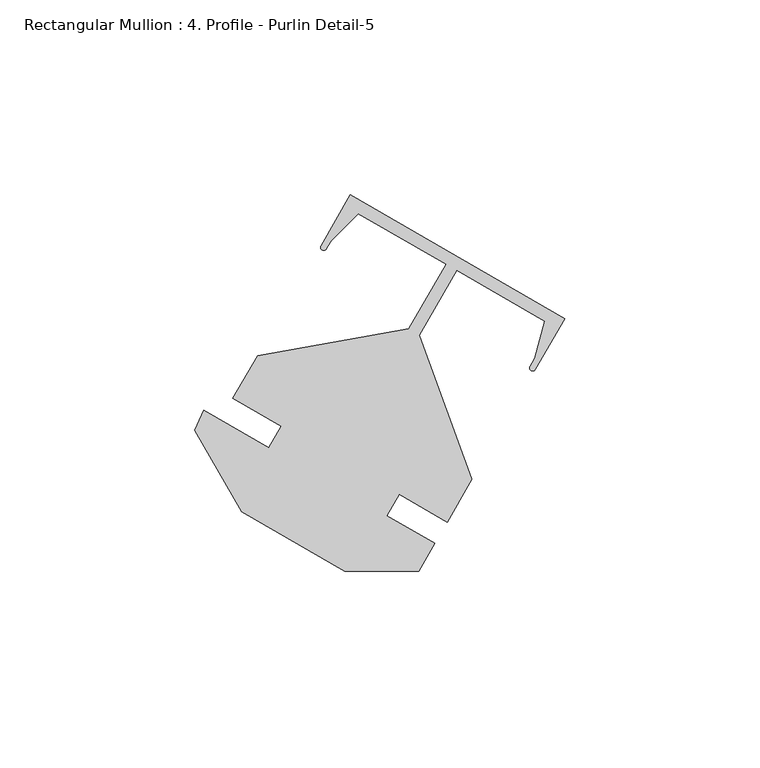
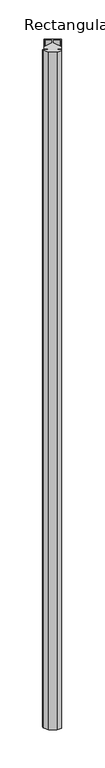
"""IFC4 building model written with IfcOpenShell, lengths in millimetres: member geometry, Rectangular Mullion : 4. Profile - Purlin Detail-5."""

import ifcopenshell
import ifcopenshell.guid

model = None  # the IFC model being written
_history = None  # IfcOwnerHistory: only IFC2X3 demands one
_inside = {}  # id of a spatial element -> (the spatial element, [elements in it])
_under = {}  # id of a project, library or spatial element -> (it, [spatial elements below it])
_declared = {}  # id of a project -> (the project, [libraries it declares])
_typed = {}  # id of a type object -> (the type object, [elements of that type])
_made_of = {}  # id of a material, layer set ... -> (it, [elements and type objects made of it])


def new_model(schema):
    """Start an empty IFC model of exactly this schema.

    Asked for "IFC4X3", IfcOpenShell would pick the latest addendum, in which some entities
    have other attributes; the version numbers below select the first issue.
    IFC2X3 requires an IfcOwnerHistory on every rooted entity: one is made here for all.
    """
    global model, _history
    if schema == "IFC4X3":
        model = ifcopenshell.file(schema_version=(4, 3, 0, 0))
    else:
        model = ifcopenshell.file(schema=schema)
    _inside.clear()
    _under.clear()
    _declared.clear()
    _typed.clear()
    _made_of.clear()
    _history = None
    if model.schema == "IFC2X3":
        org = make("IfcOrganization", Name="unknown")
        user = make(
            "IfcPersonAndOrganization",
            ThePerson=make("IfcPerson", FamilyName="unknown"),
            TheOrganization=org,
        )
        app = make(
            "IfcApplication",
            ApplicationDeveloper=org,
            Version="unknown",
            ApplicationFullName="unknown",
            ApplicationIdentifier="unknown",
        )
        _history = make(
            "IfcOwnerHistory",
            OwningUser=user,
            OwningApplication=app,
            ChangeAction="ADDED",
            CreationDate=0,
        )
    return model


def make(cls, **values):
    """One entity of the class cls with the attributes given. An attribute that is None is left unset."""
    return model.create_entity(
        cls, **{name: value for name, value in values.items() if value is not None}
    )


def rooted(cls, **values):
    """An entity with a GlobalId (a new one), such as an element, a storey or a relation."""
    return make(cls, GlobalId=ifcopenshell.guid.new(), OwnerHistory=_history, **values)


def si_unit(unit_type, name, prefix=None):
    """IfcSIUnit, for example si_unit("LENGTHUNIT", "METRE", prefix="MILLI")."""
    return make("IfcSIUnit", UnitType=unit_type, Prefix=prefix, Name=name)


def assignment(units):
    """IfcUnitAssignment: the units of a project."""
    return None if units is None else make("IfcUnitAssignment", Units=units)


def point(xyz):
    """IfcCartesianPoint."""
    return None if xyz is None else make("IfcCartesianPoint", Coordinates=xyz)


def direction(xyz):
    """IfcDirection."""
    return None if xyz is None else make("IfcDirection", DirectionRatios=xyz)


def frame(location, z_axis=None, x_axis=None):
    """IfcAxis2Placement3D, a coordinate frame: its origin and axes. An axis left out is left unset."""
    return make(
        "IfcAxis2Placement3D",
        Location=point(location),
        Axis=direction(z_axis),
        RefDirection=direction(x_axis),
    )


def frame_2d(location, x_axis=None):
    """IfcAxis2Placement2D, a coordinate frame in the plane: its origin and x axis."""
    return make(
        "IfcAxis2Placement2D", Location=point(location), RefDirection=direction(x_axis)
    )


def origin():
    """The frame at (0, 0, 0) with its axes left unset."""
    return frame((0.0, 0.0, 0.0))


def place(relative_to, where):
    """IfcLocalPlacement: puts the frame where relative to a parent placement (None: the world)."""
    return make(
        "IfcLocalPlacement", PlacementRelTo=relative_to, RelativePlacement=where
    )


def context(
    kind, dimensions, precision=None, world=None, true_north=None, identifier=None
):
    """IfcGeometricRepresentationContext, for example the 3D "Model" context."""
    return make(
        "IfcGeometricRepresentationContext",
        ContextIdentifier=identifier,
        ContextType=kind,
        CoordinateSpaceDimension=dimensions,
        Precision=precision,
        WorldCoordinateSystem=world,
        TrueNorth=true_north,
    )


def project(units=None, contexts=None):
    """IfcProject with its units and contexts."""
    return rooted(
        "IfcProject",
        Name="project",
        RepresentationContexts=contexts,
        UnitsInContext=assignment(units),
    )


def spatial(cls, under=None, at=None, **own):
    """A site, building, storey or space (cls), placed at a placement, below another one or the project."""
    s = rooted(cls, ObjectPlacement=at, **own)
    if under is not None:
        _under.setdefault(under.id(), (under, []))[1].append(s)
    return s


def polyline(points):
    """IfcPolyline through the points."""
    return make("IfcPolyline", Points=[point(p) for p in points])


def circle_curve(where, radius):
    """IfcCircle in the frame where."""
    return make("IfcCircle", Position=where, Radius=radius)


def trimmed(basis, trim1, trim2, sense, master):
    """IfcTrimmedCurve: the piece of a basis curve between two trims."""
    return make(
        "IfcTrimmedCurve",
        BasisCurve=basis,
        Trim1=trim1,
        Trim2=trim2,
        SenseAgreement=sense,
        MasterRepresentation=master,
    )


def segment(curve, same_sense, transition):
    """IfcCompositeCurveSegment."""
    return make(
        "IfcCompositeCurveSegment",
        Transition=transition,
        SameSense=same_sense,
        ParentCurve=curve,
    )


def composite_curve(segments, self_intersect=None):
    """IfcCompositeCurve: segments joined end to end."""
    return make("IfcCompositeCurve", Segments=segments, SelfIntersect=self_intersect)


def outline(outer, holes=None, kind="AREA"):
    """IfcArbitraryClosedProfileDef: a profile drawn as a closed curve; with holes, ...WithVoids."""
    if holes is None:
        return make("IfcArbitraryClosedProfileDef", ProfileType=kind, OuterCurve=outer)
    return make(
        "IfcArbitraryProfileDefWithVoids",
        ProfileType=kind,
        OuterCurve=outer,
        InnerCurves=holes,
    )


def extrude(swept, where, along, depth):
    """IfcExtrudedAreaSolid: the profile swept, set in the frame where, extruded along a direction by depth."""
    return make(
        "IfcExtrudedAreaSolid",
        SweptArea=swept,
        Position=where,
        ExtrudedDirection=direction(along),
        Depth=depth,
    )


def shape(context_of_items, identifier, shape_type, items):
    """IfcShapeRepresentation: the items that make up one representation, for example the "Body"."""
    return make(
        "IfcShapeRepresentation",
        ContextOfItems=context_of_items,
        RepresentationIdentifier=identifier,
        RepresentationType=shape_type,
        Items=items,
    )


def source(mapping_origin, context_of_items, identifier, shape_type, items):
    """IfcRepresentationMap: a shape defined once, which mapped items show again and again."""
    return make(
        "IfcRepresentationMap",
        MappingOrigin=mapping_origin,
        MappedRepresentation=shape(context_of_items, identifier, shape_type, items),
    )


def transform(
    local_origin,
    x_axis=None,
    y_axis=None,
    z_axis=None,
    scale=None,
    scale2=None,
    scale3=None,
    uniform=True,
):
    """IfcCartesianTransformationOperator3D, or its non-uniform kind. x_axis, y_axis, z_axis: its Axis1, 2, 3."""
    if uniform:
        return make(
            "IfcCartesianTransformationOperator3D",
            Axis1=direction(x_axis),
            Axis2=direction(y_axis),
            LocalOrigin=point(local_origin),
            Scale=scale,
            Axis3=direction(z_axis),
        )
    return make(
        "IfcCartesianTransformationOperator3DnonUniform",
        Axis1=direction(x_axis),
        Axis2=direction(y_axis),
        LocalOrigin=point(local_origin),
        Scale=scale,
        Axis3=direction(z_axis),
        Scale2=scale2,
        Scale3=scale3,
    )


def mapped(mapping_source, mapping_target):
    """IfcMappedItem: shows the shape of a source again, moved by a transform."""
    return make(
        "IfcMappedItem", MappingSource=mapping_source, MappingTarget=mapping_target
    )


def made_of(thing, what):
    """Note that an element or type object is made of a material, layer set ...; save() writes the relation."""
    if what is not None:
        _made_of.setdefault(what.id(), (what, []))[1].append(thing)
    return thing


def element(
    cls,
    number,
    at=None,
    inside=None,
    cuts=None,
    type_object=None,
    material=None,
    context=None,
    identifier="Body",
    shape_type=None,
    held_by="IfcProductDefinitionShape",
    body=None,
    shapes=None,
    **own,
):
    """One element of the class cls, such as IfcWall. Its Tag is "e" and its number.

    at: its placement. inside: the storey or other place that contains it. cuts: it is an
    opening in that element (IfcRelVoidsElement). A single representation is given by context,
    identifier, shape_type and body (its items); several are given by shapes. held_by: the class
    of the entity that holds the representations. save() writes the other relations.
    """
    e = rooted(cls, Tag="e%d" % number, ObjectPlacement=at, **own)
    if body is not None:
        shapes = [shape(context, identifier, shape_type, body)]
    if shapes is not None:
        e.Representation = make(held_by, Representations=shapes)
    if inside is not None:
        _inside.setdefault(inside.id(), (inside, []))[1].append(e)
    if cuts is not None:
        rooted(
            "IfcRelVoidsElement", RelatingBuildingElement=cuts, RelatedOpeningElement=e
        )
    if type_object is not None:
        _typed.setdefault(type_object.id(), (type_object, []))[1].append(e)
    return made_of(e, material)


def aggregate(whole, parts):
    """IfcRelAggregates: a whole, such as a stair, and the parts it consists of."""
    return rooted("IfcRelAggregates", RelatingObject=whole, RelatedObjects=parts)


def save(model, path):
    """Write the relations noted so far, then the file.

    IfcRelAggregates (storeys below a building ...), IfcRelContainedInSpatialStructure (elements
    in a storey), IfcRelDefinesByType, IfcRelAssociatesMaterial and IfcRelDeclares: one each for
    every whole, place, type object, material and project.
    """
    for whole, parts in _under.values():
        aggregate(whole, parts)
    for where, things in _inside.values():
        rooted(
            "IfcRelContainedInSpatialStructure",
            RelatedElements=things,
            RelatingStructure=where,
        )
    for kind, things in _typed.values():
        rooted("IfcRelDefinesByType", RelatedObjects=things, RelatingType=kind)
    for what, things in _made_of.values():
        rooted("IfcRelAssociatesMaterial", RelatedObjects=things, RelatingMaterial=what)
    for by, libraries in _declared.values():
        rooted("IfcRelDeclares", RelatingContext=by, RelatedDefinitions=libraries)
    model.write(path)


def rectangular_mullion_4_profile_purlin_detail_5_386258da(model_context):
    return source(origin(), model_context, "Body", "SweptSolid", [
        extrude(outline(composite_curve([segment(polyline([(-82.9010536, -27.3163726), (-94.9462265, -6.4540219), (-92.6215787, -1.2327773), (-75.9503998, -10.857887), (-72.7817879, -5.3696902), (-85.1551258, 1.7740598), (-78.8051131, 12.7726044), (-40.0245791, 19.6106589), (-30.455677, 36.1844834), (-53.0060124, 49.2039256), (-59.9787963, 42.2311417), (-61.1725963, 40.1634194)]), True, "CONTINUOUS"), segment(trimmed(circle_curve(frame_2d((-61.8545047, 40.5571194)), 0.7874), [point((-61.1725963, 40.1634194))], [point((-62.5364131, 40.9508194))], False, "CARTESIAN"), True, "CONTINUOUS"), segment(polyline([(-62.5364131, 40.9508194), (-54.9926131, 54.0170643), (0.0, 22.2670643), (-7.5438, 9.2008194)]), True, "CONTINUOUS"), segment(trimmed(circle_curve(frame_2d((-8.2257084, 9.5945194)), 0.7874), [point((-7.5438, 9.2008194))], [point((-8.9076168, 9.9882194))], False, "CARTESIAN"), True, "CONTINUOUS"), segment(polyline([(-8.9076168, 9.9882194), (-7.7138168, 12.0559417), (-5.1616007, 21.5809417), (-27.7060464, 34.5969834), (-37.2778017, 18.0182169), (-23.8125, -18.9773956), (-30.1625, -29.9759182), (-42.535838, -22.8321682), (-45.7044626, -28.320387), (-33.3311246, -35.464137), (-37.4334024, -42.5694906), (-56.4827293, -42.5694906), (-82.9010536, -27.3163726)]), True, "CONTINUOUS")], self_intersect=False)), frame((0.0, 0.0, -3048.0), z_axis=(0.0, 0.0, 1.0), x_axis=(1.0, 0.0, 0.0)), (0.0, 0.0, 1.0), 3048.0),
    ])


if __name__ == "__main__":
    model = new_model("IFC4")
    model_context = context("Model", 3, world=origin())
    ifc_project = project(units=[si_unit("LENGTHUNIT", "METRE", prefix="MILLI")], contexts=[model_context])
    site = spatial("IfcSite", under=ifc_project)
    building = spatial("IfcBuilding", under=site)
    placement = place(None, origin())
    rectangular_mullion_4_profile_purlin_detail_5_shape = rectangular_mullion_4_profile_purlin_detail_5_386258da(model_context)
    element("IfcMember", 1, ObjectType="Rectangular Mullion : 4. Profile - Purlin Detail-5", at=placement, inside=building, context=model_context, shape_type="MappedRepresentation", body=[
        mapped(rectangular_mullion_4_profile_purlin_detail_5_shape, transform((0.0, 0.0, 0.0), x_axis=(1.0, 0.0, 0.0), y_axis=(0.0, 1.0, 0.0), z_axis=(0.0, 0.0, 1.0))),
    ])
    save(model, "model.ifc")
